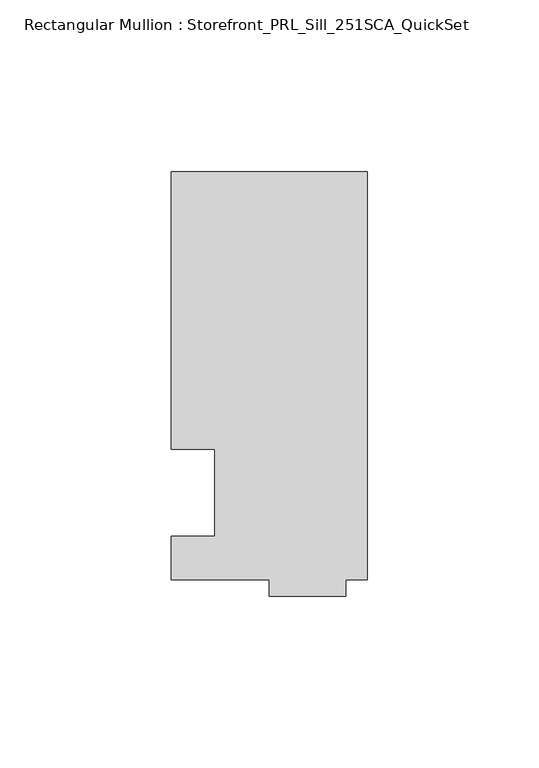
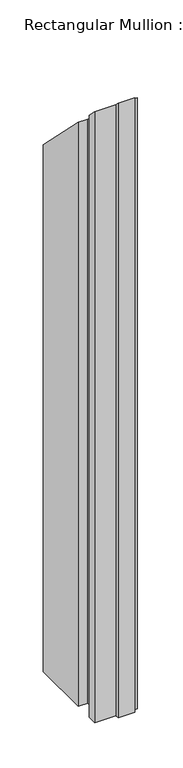
"""IFC4 building model written with IfcOpenShell, lengths in millimetres: member geometry, Rectangular Mullion : Storefront_PRL_Sill_251SCA_QuickSet."""

from ifc_helpers import new_model, si_unit, origin, place, context, project, spatial, faceted_brep, source, transform, mapped, element, save


def rectangular_mullion_storefront_prl_sill_251sca_quickset_93524143(model_context):
    return source(origin(), model_context, "Body", "Brep", [
        faceted_brep([(-44.45, 12.7, -838.2), (-57.15, 12.7, -838.2), (-57.15, 93.6625, -838.2), (-6.35, 93.6625, -838.2), (0.0, 93.6625, -838.2), (0.0, -25.4, -838.2), (-6.35, -25.4, -838.2), (-6.35, -30.1625, -838.2), (-28.575, -30.1625, -838.2), (-28.575, -25.4, -838.2), (-57.15, -25.4, -838.2), (-57.15, -12.7, -838.2), (-44.45, -12.7, -838.2), (-44.45, -12.7, 12.7), (-44.45, 12.7, -12.7), (-57.15, -12.7, 12.7), (-57.15, -25.4, 25.4), (-28.575, -25.4, 25.4), (-28.575, -30.1625, 30.1625), (-6.35, -30.1625, 30.1625), (-6.35, -25.4, 25.4), (0.0, -25.4, 25.4), (0.0, 93.6625, -93.6625), (-6.35, 93.6625, -93.6625), (-57.15, 93.6625, -93.6625), (-57.15, 12.7, -12.7)], [[[0, 1, 2, 3, 4, 5, 6, 7, 8, 9, 10, 11, 12]], [[13, 14, 0, 12]], [[15, 13, 12, 11]], [[16, 15, 11, 10]], [[17, 16, 10, 9]], [[18, 17, 9, 8]], [[19, 18, 8, 7]], [[20, 19, 7, 6]], [[21, 20, 6, 5]], [[22, 21, 5, 4]], [[23, 22, 4, 3]], [[24, 23, 3, 2]], [[25, 24, 2, 1]], [[14, 25, 1, 0]], [[14, 13, 15, 16, 17, 18, 19, 20, 21, 22, 23, 24, 25]]]),
    ])


if __name__ == "__main__":
    model = new_model("IFC4")
    model_context = context("Model", 3, world=origin())
    ifc_project = project(units=[si_unit("LENGTHUNIT", "METRE", prefix="MILLI")], contexts=[model_context])
    site = spatial("IfcSite", under=ifc_project)
    building = spatial("IfcBuilding", under=site)
    placement = place(None, origin())
    rectangular_mullion_storefront_prl_sill_251sca_quickset_shape = rectangular_mullion_storefront_prl_sill_251sca_quickset_93524143(model_context)
    element("IfcMember", 1, ObjectType="Rectangular Mullion : Storefront_PRL_Sill_251SCA_QuickSet", at=placement, inside=building, context=model_context, shape_type="MappedRepresentation", body=[
        mapped(rectangular_mullion_storefront_prl_sill_251sca_quickset_shape, transform((0.0, 0.0, 0.0), x_axis=(1.0, 0.0, 0.0), y_axis=(0.0, 1.0, 0.0), z_axis=(0.0, 0.0, 1.0))),
    ])
    save(model, "model.ifc")
